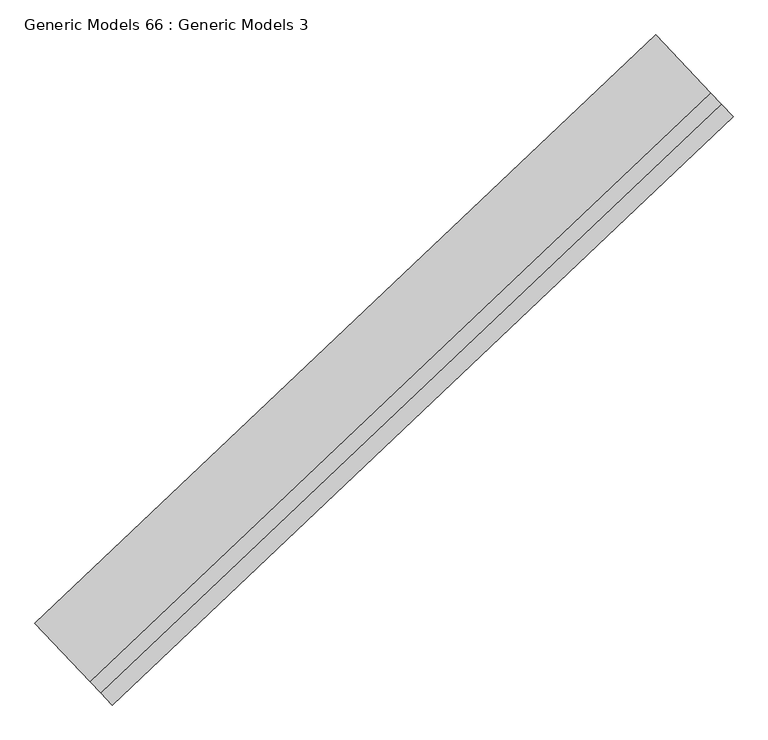
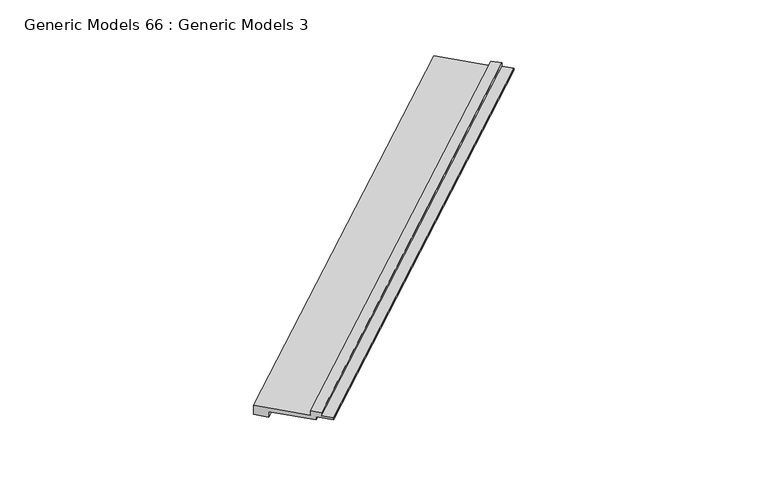
"""IFC4 building model written with IfcOpenShell, lengths in millimetres: proxy geometry, Generic Models 66 : Generic Models 3."""

from ifc_helpers import new_model, si_unit, frame, origin, place, context, project, spatial, polyline, outline, extrude, source, transform, mapped, element, save


def generic_models_66_generic_models_3_5637334c(model_context):
    return source(origin(), model_context, "Body", "SweptSolid", [
        extrude(outline(polyline([(467.6922354, 0.0), (467.6922354, -152.4), (2118.6922355, -152.4), (2118.6922355, -457.2), (1686.8922355, -457.2), (1686.8922355, -279.4), (320.0547354, -279.4), (320.0547354, -177.8), (-192.7077646, -177.8), (-192.7077646, -101.6), (156.5422355, -101.6), (156.5422355, 0.0), (467.6922354, 0.0)])), frame((103566.1550556, 40611.9401573, 17818.1), z_axis=(0.7253743710122779, 0.6883545756937643, 0.0), x_axis=(-0.6883545756937643, 0.7253743710122779, 0.0)), (0.0, 0.0, 1.0), 17560.925),
    ])


if __name__ == "__main__":
    model = new_model("IFC4")
    model_context = context("Model", 3, world=origin())
    ifc_project = project(units=[si_unit("LENGTHUNIT", "METRE", prefix="MILLI")], contexts=[model_context])
    site = spatial("IfcSite", under=ifc_project)
    building = spatial("IfcBuilding", under=site)
    placement = place(None, origin())
    generic_models_66_generic_models_3_shape = generic_models_66_generic_models_3_5637334c(model_context)
    element("IfcBuildingElementProxy", 1, Name="Generic Models 66 : Generic Models 3", ObjectType="Generic Models 66 : Generic Models 3", at=placement, inside=building, context=model_context, shape_type="MappedRepresentation", body=[
        mapped(generic_models_66_generic_models_3_shape, transform((0.0, 0.0, 0.0), x_axis=(1.0, 0.0, 0.0), y_axis=(0.0, 1.0, 0.0), z_axis=(0.0, 0.0, 1.0))),
    ])
    save(model, "model.ifc")
